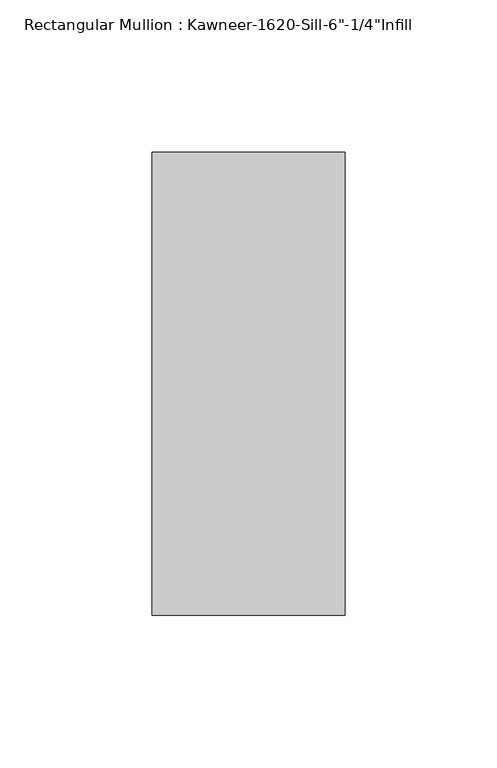
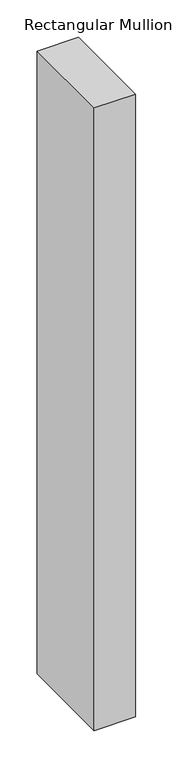
"""IFC4 building model written with IfcOpenShell, lengths in millimetres: member geometry."""

import ifcopenshell
import ifcopenshell.guid

model = None  # the IFC model being written
_history = None  # IfcOwnerHistory: only IFC2X3 demands one
_inside = {}  # id of a spatial element -> (the spatial element, [elements in it])
_under = {}  # id of a project, library or spatial element -> (it, [spatial elements below it])
_declared = {}  # id of a project -> (the project, [libraries it declares])
_typed = {}  # id of a type object -> (the type object, [elements of that type])
_made_of = {}  # id of a material, layer set ... -> (it, [elements and type objects made of it])


def new_model(schema):
    """Start an empty IFC model of exactly this schema.

    Asked for "IFC4X3", IfcOpenShell would pick the latest addendum, in which some entities
    have other attributes; the version numbers below select the first issue.
    IFC2X3 requires an IfcOwnerHistory on every rooted entity: one is made here for all.
    """
    global model, _history
    if schema == "IFC4X3":
        model = ifcopenshell.file(schema_version=(4, 3, 0, 0))
    else:
        model = ifcopenshell.file(schema=schema)
    _inside.clear()
    _under.clear()
    _declared.clear()
    _typed.clear()
    _made_of.clear()
    _history = None
    if model.schema == "IFC2X3":
        org = make("IfcOrganization", Name="unknown")
        user = make(
            "IfcPersonAndOrganization",
            ThePerson=make("IfcPerson", FamilyName="unknown"),
            TheOrganization=org,
        )
        app = make(
            "IfcApplication",
            ApplicationDeveloper=org,
            Version="unknown",
            ApplicationFullName="unknown",
            ApplicationIdentifier="unknown",
        )
        _history = make(
            "IfcOwnerHistory",
            OwningUser=user,
            OwningApplication=app,
            ChangeAction="ADDED",
            CreationDate=0,
        )
    return model


def make(cls, **values):
    """One entity of the class cls with the attributes given. An attribute that is None is left unset."""
    return model.create_entity(
        cls, **{name: value for name, value in values.items() if value is not None}
    )


def rooted(cls, **values):
    """An entity with a GlobalId (a new one), such as an element, a storey or a relation."""
    return make(cls, GlobalId=ifcopenshell.guid.new(), OwnerHistory=_history, **values)


def si_unit(unit_type, name, prefix=None):
    """IfcSIUnit, for example si_unit("LENGTHUNIT", "METRE", prefix="MILLI")."""
    return make("IfcSIUnit", UnitType=unit_type, Prefix=prefix, Name=name)


def assignment(units):
    """IfcUnitAssignment: the units of a project."""
    return None if units is None else make("IfcUnitAssignment", Units=units)


def point(xyz):
    """IfcCartesianPoint."""
    return None if xyz is None else make("IfcCartesianPoint", Coordinates=xyz)


def direction(xyz):
    """IfcDirection."""
    return None if xyz is None else make("IfcDirection", DirectionRatios=xyz)


def frame(location, z_axis=None, x_axis=None):
    """IfcAxis2Placement3D, a coordinate frame: its origin and axes. An axis left out is left unset."""
    return make(
        "IfcAxis2Placement3D",
        Location=point(location),
        Axis=direction(z_axis),
        RefDirection=direction(x_axis),
    )


def origin():
    """The frame at (0, 0, 0) with its axes left unset."""
    return frame((0.0, 0.0, 0.0))


def place(relative_to, where):
    """IfcLocalPlacement: puts the frame where relative to a parent placement (None: the world)."""
    return make(
        "IfcLocalPlacement", PlacementRelTo=relative_to, RelativePlacement=where
    )


def context(
    kind, dimensions, precision=None, world=None, true_north=None, identifier=None
):
    """IfcGeometricRepresentationContext, for example the 3D "Model" context."""
    return make(
        "IfcGeometricRepresentationContext",
        ContextIdentifier=identifier,
        ContextType=kind,
        CoordinateSpaceDimension=dimensions,
        Precision=precision,
        WorldCoordinateSystem=world,
        TrueNorth=true_north,
    )


def project(units=None, contexts=None):
    """IfcProject with its units and contexts."""
    return rooted(
        "IfcProject",
        Name="project",
        RepresentationContexts=contexts,
        UnitsInContext=assignment(units),
    )


def spatial(cls, under=None, at=None, **own):
    """A site, building, storey or space (cls), placed at a placement, below another one or the project."""
    s = rooted(cls, ObjectPlacement=at, **own)
    if under is not None:
        _under.setdefault(under.id(), (under, []))[1].append(s)
    return s


def polyline(points):
    """IfcPolyline through the points."""
    return make("IfcPolyline", Points=[point(p) for p in points])


def outline(outer, holes=None, kind="AREA"):
    """IfcArbitraryClosedProfileDef: a profile drawn as a closed curve; with holes, ...WithVoids."""
    if holes is None:
        return make("IfcArbitraryClosedProfileDef", ProfileType=kind, OuterCurve=outer)
    return make(
        "IfcArbitraryProfileDefWithVoids",
        ProfileType=kind,
        OuterCurve=outer,
        InnerCurves=holes,
    )


def extrude(swept, where, along, depth):
    """IfcExtrudedAreaSolid: the profile swept, set in the frame where, extruded along a direction by depth."""
    return make(
        "IfcExtrudedAreaSolid",
        SweptArea=swept,
        Position=where,
        ExtrudedDirection=direction(along),
        Depth=depth,
    )


def shape(context_of_items, identifier, shape_type, items):
    """IfcShapeRepresentation: the items that make up one representation, for example the "Body"."""
    return make(
        "IfcShapeRepresentation",
        ContextOfItems=context_of_items,
        RepresentationIdentifier=identifier,
        RepresentationType=shape_type,
        Items=items,
    )


def source(mapping_origin, context_of_items, identifier, shape_type, items):
    """IfcRepresentationMap: a shape defined once, which mapped items show again and again."""
    return make(
        "IfcRepresentationMap",
        MappingOrigin=mapping_origin,
        MappedRepresentation=shape(context_of_items, identifier, shape_type, items),
    )


def transform(
    local_origin,
    x_axis=None,
    y_axis=None,
    z_axis=None,
    scale=None,
    scale2=None,
    scale3=None,
    uniform=True,
):
    """IfcCartesianTransformationOperator3D, or its non-uniform kind. x_axis, y_axis, z_axis: its Axis1, 2, 3."""
    if uniform:
        return make(
            "IfcCartesianTransformationOperator3D",
            Axis1=direction(x_axis),
            Axis2=direction(y_axis),
            LocalOrigin=point(local_origin),
            Scale=scale,
            Axis3=direction(z_axis),
        )
    return make(
        "IfcCartesianTransformationOperator3DnonUniform",
        Axis1=direction(x_axis),
        Axis2=direction(y_axis),
        LocalOrigin=point(local_origin),
        Scale=scale,
        Axis3=direction(z_axis),
        Scale2=scale2,
        Scale3=scale3,
    )


def mapped(mapping_source, mapping_target):
    """IfcMappedItem: shows the shape of a source again, moved by a transform."""
    return make(
        "IfcMappedItem", MappingSource=mapping_source, MappingTarget=mapping_target
    )


def made_of(thing, what):
    """Note that an element or type object is made of a material, layer set ...; save() writes the relation."""
    if what is not None:
        _made_of.setdefault(what.id(), (what, []))[1].append(thing)
    return thing


def element(
    cls,
    number,
    at=None,
    inside=None,
    cuts=None,
    type_object=None,
    material=None,
    context=None,
    identifier="Body",
    shape_type=None,
    held_by="IfcProductDefinitionShape",
    body=None,
    shapes=None,
    **own,
):
    """One element of the class cls, such as IfcWall. Its Tag is "e" and its number.

    at: its placement. inside: the storey or other place that contains it. cuts: it is an
    opening in that element (IfcRelVoidsElement). A single representation is given by context,
    identifier, shape_type and body (its items); several are given by shapes. held_by: the class
    of the entity that holds the representations. save() writes the other relations.
    """
    e = rooted(cls, Tag="e%d" % number, ObjectPlacement=at, **own)
    if body is not None:
        shapes = [shape(context, identifier, shape_type, body)]
    if shapes is not None:
        e.Representation = make(held_by, Representations=shapes)
    if inside is not None:
        _inside.setdefault(inside.id(), (inside, []))[1].append(e)
    if cuts is not None:
        rooted(
            "IfcRelVoidsElement", RelatingBuildingElement=cuts, RelatedOpeningElement=e
        )
    if type_object is not None:
        _typed.setdefault(type_object.id(), (type_object, []))[1].append(e)
    return made_of(e, material)


def aggregate(whole, parts):
    """IfcRelAggregates: a whole, such as a stair, and the parts it consists of."""
    return rooted("IfcRelAggregates", RelatingObject=whole, RelatedObjects=parts)


def save(model, path):
    """Write the relations noted so far, then the file.

    IfcRelAggregates (storeys below a building ...), IfcRelContainedInSpatialStructure (elements
    in a storey), IfcRelDefinesByType, IfcRelAssociatesMaterial and IfcRelDeclares: one each for
    every whole, place, type object, material and project.
    """
    for whole, parts in _under.values():
        aggregate(whole, parts)
    for where, things in _inside.values():
        rooted(
            "IfcRelContainedInSpatialStructure",
            RelatedElements=things,
            RelatingStructure=where,
        )
    for kind, things in _typed.values():
        rooted("IfcRelDefinesByType", RelatedObjects=things, RelatingType=kind)
    for what, things in _made_of.values():
        rooted("IfcRelAssociatesMaterial", RelatedObjects=things, RelatingMaterial=what)
    for by, libraries in _declared.values():
        rooted("IfcRelDeclares", RelatingContext=by, RelatedDefinitions=libraries)
    model.write(path)


def member_0efa3b55(model_context):
    return source(origin(), model_context, "Body", "SweptSolid", [
        extrude(outline(polyline([(-63.5, 28.575), (0.0, 28.575), (0.0, -123.825), (-63.5, -123.825), (-63.5, 28.575)])), frame((0.0, 0.0, -1016.0), z_axis=(0.0, 0.0, 1.0), x_axis=(1.0, 0.0, 0.0)), (0.0, 0.0, 1.0), 1016.0),
    ])


if __name__ == "__main__":
    model = new_model("IFC4")
    model_context = context("Model", 3, world=origin())
    ifc_project = project(units=[si_unit("LENGTHUNIT", "METRE", prefix="MILLI")], contexts=[model_context])
    site = spatial("IfcSite", under=ifc_project)
    building = spatial("IfcBuilding", under=site)
    placement = place(None, origin())
    member_shape = member_0efa3b55(model_context)
    element("IfcMember", 1, ObjectType="Rectangular Mullion : Kawneer-1620-Sill-6\"-1/4\"Infill", at=placement, inside=building, context=model_context, shape_type="MappedRepresentation", body=[
        mapped(member_shape, transform((0.0, 0.0, 0.0), x_axis=(1.0, 0.0, 0.0), y_axis=(0.0, 1.0, 0.0), z_axis=(0.0, 0.0, 1.0))),
    ])
    save(model, "model.ifc")
